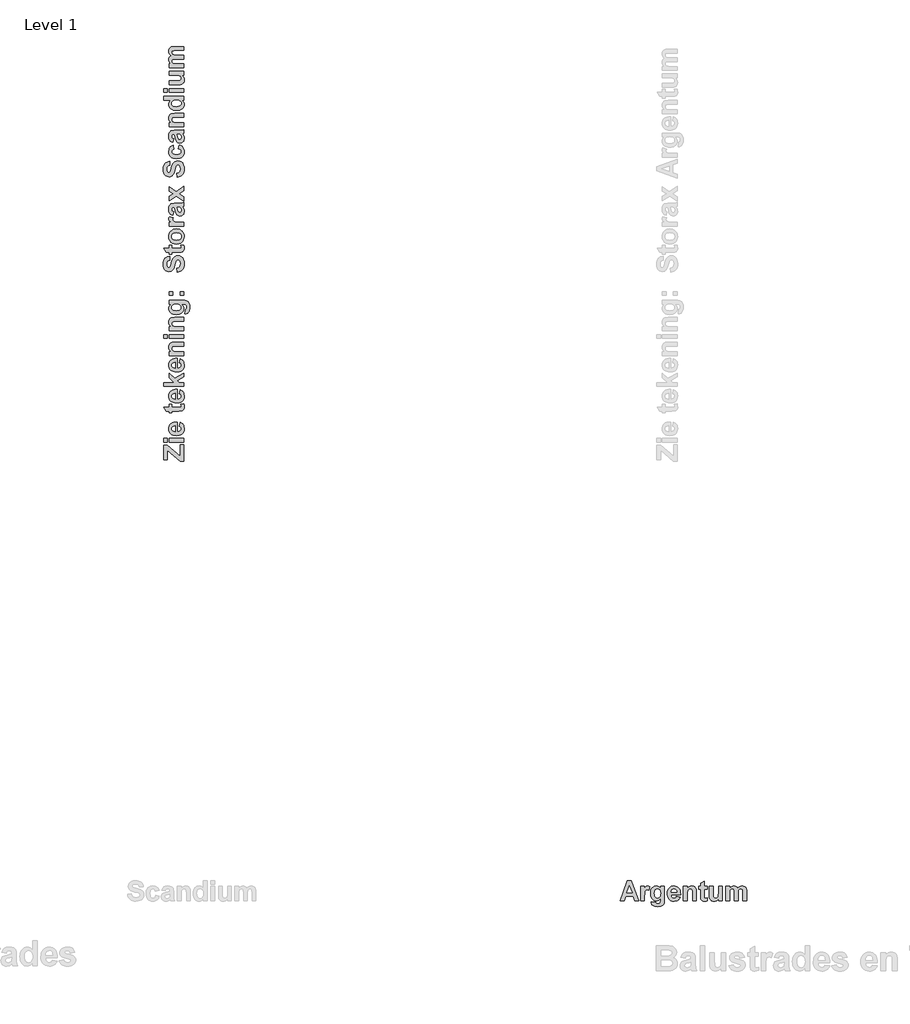
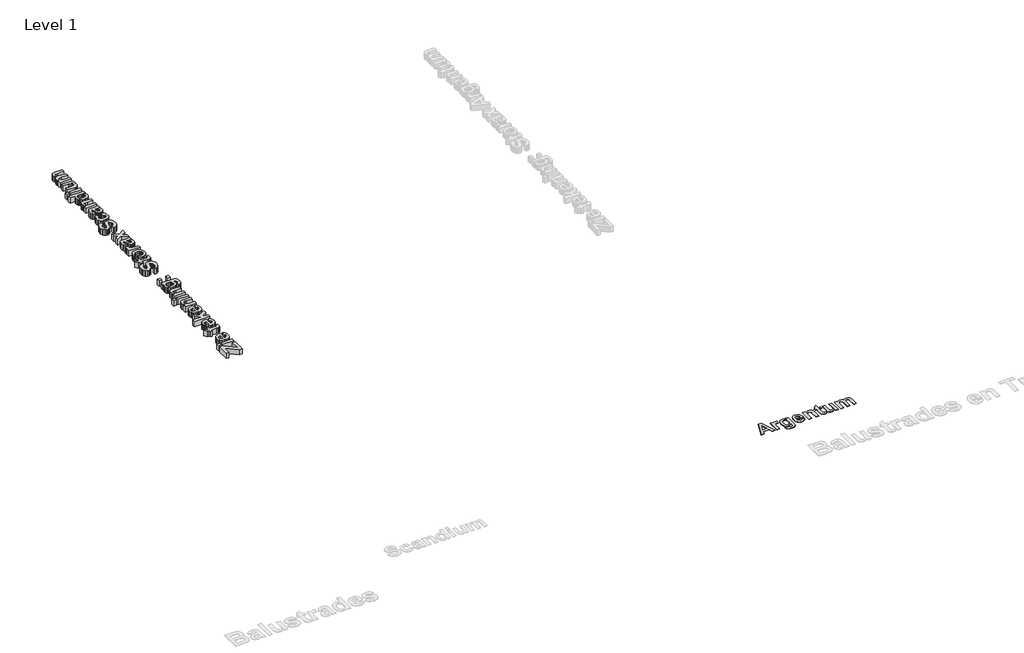
# One storey, part 7 of 14: 2 proxies.
"""IFC4 building model written with IfcOpenShell, lengths in millimetres."""

from ifc_helpers import new_model, si_unit, origin, origin_with_axes, place, context, project, spatial, polyline, outline, extrude, element, save

model = new_model("IFC4")

# Units and contexts
model_context = context("Model", 3, world=origin())
ifc_project = project(units=[si_unit("LENGTHUNIT", "METRE", prefix="MILLI")], contexts=[model_context])

# Site, building, storey
site = spatial("IfcSite", under=ifc_project)
building = spatial("IfcBuilding", under=site)
storey = spatial("IfcBuildingStorey", under=building, Name="Level 1", Elevation=0.0)

# Proxies
placement = place(None, origin())
element("IfcBuildingElementProxy", 1, Name="400mm", ObjectType="400mm", at=placement, inside=storey, context=model_context, shape_type="SweptSolid", body=[
    extrude(outline(polyline([(21401.3392889, -15738.0938306), (21321.2797651, -15738.0938306), (21289.9305587, -15649.2049417), (21138.8392889, -15649.2049417), (21107.8869079, -15738.0938306), (21026.7361143, -15738.0938306), (21172.7678603, -15338.0938306), (21253.9186539, -15338.0938306), (21401.3392889, -15738.0938306)]), holes=[polyline([(21265.5257968, -15579.3636718), (21214.0377016, -15433.3319258), (21163.2440508, -15579.3636718), (21265.5257968, -15579.3636718)])]), origin_with_axes(), (0.0, 0.0, 1.0), 5.0),
    extrude(outline(polyline([(21515.6250031, -15738.0938306), (21439.434527, -15738.0938306), (21439.434527, -15446.0303385), (21515.6250031, -15446.0303385), (21515.6250031, -15486.7049417), (21531.7212333, -15462.7838107), (21546.0813524, -15448.7585131), (21560.5158762, -15441.9504774), (21576.8353206, -15439.6811322), (21600.6200428, -15443.6989893), (21623.5615111, -15455.7525607), (21601.3392889, -15528.272402), (21582.9861143, -15518.9718068), (21566.0218285, -15515.8716083), (21551.3764912, -15518.0417472), (21539.1865111, -15524.5521639), (21529.3898841, -15536.7173425), (21521.9246063, -15555.8517671), (21517.1999039, -15590.8716083), (21515.6250031, -15650.6930369), (21515.6250031, -15738.0938306)])), origin_with_axes(), (0.0, 0.0, 1.0), 5.0),
    extrude(outline(polyline([(21648.9583365, -15757.1414496), (21737.8472254, -15769.8398623), (21741.2450428, -15781.0501798), (21747.2718285, -15788.0938306), (21760.4910746, -15793.4509734), (21779.513892, -15795.2366877), (21804.1666698, -15792.9797433), (21821.7757968, -15786.2089099), (21830.059527, -15778.2972036), (21836.0615111, -15766.6652591), (21839.434527, -15731.1493861), (21839.434527, -15688.5898623), (21819.7854694, -15710.2478484), (21798.5367095, -15725.7178385), (21775.6882472, -15734.9998325), (21751.2400825, -15738.0938306), (21724.5349734, -15734.9874318), (21700.7688524, -15725.6682353), (21679.9417194, -15710.1362413), (21662.0535746, -15688.3914496), (21650.7688524, -15667.5457155), (21642.7083365, -15644.2942274), (21637.872027, -15618.6369853), (21636.2599238, -15590.5739893), (21638.3711589, -15556.0346788), (21644.7048643, -15525.8294456), (21655.2610399, -15499.9582899), (21670.0396857, -15478.4212115), (21687.9619327, -15461.4724268), (21707.9489119, -15449.366152), (21730.0006232, -15442.1023871), (21754.1170666, -15439.6811322), (21778.8690508, -15442.5519159), (21801.3392889, -15451.1642671), (21821.5277809, -15465.5181857), (21839.434527, -15485.6136718), (21839.434527, -15446.0303385), (21915.6250031, -15446.0303385), (21915.6250031, -15705.4549417), (21913.5540706, -15750.1101996), (21907.341273, -15781.8934337), (21897.3958365, -15804.5000806), (21884.1269873, -15821.6255766), (21866.6914714, -15834.460398), (21844.2460349, -15844.195021), (21815.9846262, -15850.3334139), (21781.1011936, -15852.3795449), (21747.6624535, -15850.8542472), (21719.4692492, -15846.2783544), (21696.5215805, -15838.6518663), (21678.8194476, -15827.9747829), (21665.6250031, -15814.9539496), (21656.2004, -15800.2962115), (21650.5456381, -15784.0015687), (21648.6607174, -15766.070021), (21648.9583365, -15757.1414496)]), holes=[polyline([(21712.4504, -15587.6970052), (21716.8526817, -15629.6116877), (21722.3555339, -15645.6955171), (21730.059527, -15658.5303385), (21749.7395865, -15675.3458147), (21773.5615111, -15680.9509734), (21799.0947452, -15675.1970052), (21820.3373047, -15657.9351004), (21828.6923395, -15645.0444754), (21834.6602214, -15629.3884734), (21839.434527, -15589.7803385), (21834.8586341, -15548.646906), (21829.138768, -15532.646782), (21821.1309555, -15519.6910528), (21800.4092293, -15502.5407552), (21774.8511936, -15496.8239893), (21750.0620071, -15502.429148), (21730.059527, -15519.2446242), (21722.3555339, -15531.9306361), (21716.8526817, -15547.5680369), (21712.4504, -15587.6970052)])]), origin_with_axes(), (0.0, 0.0, 1.0), 5.0),
    extrude(outline(polyline([(22156.8948444, -15649.2049417), (22233.0853206, -15661.9033544), (22214.5337333, -15697.4564298), (22202.1329397, -15711.6150359), (22187.6488127, -15723.3616877), (22171.1495567, -15732.584778), (22152.7033762, -15739.1726996), (22109.9702412, -15744.4430369), (22075.4650329, -15741.3366381), (22045.7589317, -15732.0174417), (22020.8519377, -15716.4854476), (22000.7440508, -15694.740656), (21988.5044674, -15673.5414992), (21979.7619079, -15649.725775), (21974.5163722, -15623.2934833), (21972.7678603, -15594.2446242), (21975.0868087, -15559.9936322), (21982.0436539, -15529.6612909), (21993.638396, -15503.2476004), (22009.8710349, -15480.7525607), (22029.6503008, -15462.7838107), (22051.8849238, -15449.9489893), (22076.5749039, -15442.2480964), (22103.7202412, -15439.6811322), (22133.8851718, -15442.3163008), (22160.6894873, -15450.2218068), (22184.1331877, -15463.39765), (22204.216273, -15481.8438306), (22220.2194972, -15505.7339595), (22231.4236143, -15535.241648), (22237.8286242, -15570.366896), (22239.434527, -15611.1097036), (22048.9583365, -15611.1097036), (22053.8442492, -15643.2029575), (22066.9146857, -15667.2604972), (22086.185519, -15682.2902591), (22109.6726222, -15687.3001798), (22125.669646, -15685.0432353), (22138.9384952, -15678.272402), (22149.3799635, -15666.491648), (22156.8948444, -15649.2049417)]), holes=[polyline([(22163.2440508, -15566.6652591), (22158.6061539, -15536.5437314), (22146.2797651, -15514.631529), (22128.373019, -15501.2758742), (22106.9940508, -15496.8239893), (22084.4246063, -15501.5114893), (22066.1210349, -15515.5739893), (22054.1170666, -15537.7714099), (22050.248019, -15566.6652591), (22163.2440508, -15566.6652591)])]), origin_with_axes(), (0.0, 0.0, 1.0), 5.0),
    extrude(outline(polyline([(22556.8948444, -15738.0938306), (22480.7043682, -15738.0938306), (22480.7043682, -15587.9946242), (22479.513892, -15548.7089099), (22475.9424635, -15526.288275), (22469.6676619, -15513.8626798), (22460.3670666, -15504.5620845), (22448.4871063, -15498.7585131), (22434.4742095, -15496.8239893), (22416.0342293, -15499.5893663), (22399.6031778, -15507.8854972), (22386.607146, -15520.757521), (22378.4722254, -15537.2505766), (22374.1939516, -15563.3046441), (22372.7678603, -15604.8597036), (22372.7678603, -15738.0938306), (22296.5773841, -15738.0938306), (22296.5773841, -15446.0303385), (22372.7678603, -15446.0303385), (22372.7678603, -15488.0938306), (22392.044894, -15466.913275), (22413.6656778, -15451.7843068), (22437.6302115, -15442.7069258), (22463.9384952, -15439.6811322), (22487.1031778, -15441.9876798), (22508.184527, -15448.9073226), (22525.7936539, -15459.3983941), (22538.5416698, -15472.4192274), (22547.2842293, -15487.6598028), (22552.8769873, -15504.8101004), (22556.8948444, -15556.7446242), (22556.8948444, -15738.0938306)])), origin_with_axes(), (0.0, 0.0, 1.0), 5.0),
    extrude(outline(polyline([(22772.7678603, -15446.0303385), (22772.7678603, -15503.1731956), (22715.6250031, -15503.1731956), (22715.6250031, -15628.4708147), (22717.3611143, -15672.7664496), (22725.248019, -15683.1831163), (22740.2281778, -15687.3001798), (22775.9424635, -15679.9589099), (22779.1170666, -15734.1255766), (22749.7271857, -15741.8636718), (22716.716273, -15744.4430369), (22696.4285746, -15742.6573226), (22678.2242095, -15737.3001798), (22663.3556579, -15729.115656), (22653.0754, -15718.8477988), (22646.2921658, -15705.5293464), (22641.9146857, -15688.1930369), (22639.434527, -15632.7366877), (22639.434527, -15503.1731956), (22601.3392889, -15503.1731956), (22601.3392889, -15446.0303385), (22639.434527, -15446.0303385), (22639.434527, -15388.8874814), (22715.6250031, -15344.4430369), (22715.6250031, -15446.0303385), (22772.7678603, -15446.0303385)])), origin_with_axes(), (0.0, 0.0, 1.0), 5.0),
    extrude(outline(polyline([(23001.3392889, -15738.0938306), (23001.3392889, -15695.2366877), (22983.7921658, -15715.710398), (22961.5079397, -15731.2981956), (22936.1483166, -15741.1568266), (22909.3750031, -15744.4430369), (22882.9117095, -15741.2188306), (22859.2757968, -15731.5462115), (22840.1289714, -15716.0328187), (22827.1329397, -15695.2862909), (22819.6924635, -15667.4465091), (22817.2123047, -15630.6533544), (22817.2123047, -15446.0303385), (22893.4027809, -15446.0303385), (22893.4027809, -15581.0501798), (22894.4320468, -15631.037779), (22897.5198444, -15656.9926401), (22903.3482174, -15669.4926401), (22912.5992095, -15679.115656), (22925.0372055, -15685.2540488), (22940.4265904, -15687.3001798), (22958.6681579, -15684.5720052), (22974.9007968, -15676.3874814), (22987.7232174, -15664.147898), (22995.7341301, -15649.2545449), (22999.9379992, -15621.3155568), (23001.3392889, -15569.9390687), (23001.3392889, -15446.0303385), (23077.5297651, -15446.0303385), (23077.5297651, -15738.0938306), (23001.3392889, -15738.0938306)])), origin_with_axes(), (0.0, 0.0, 1.0), 5.0),
    extrude(outline(polyline([(23147.3710349, -15446.0303385), (23223.5615111, -15446.0303385), (23223.5615111, -15485.1176401), (23242.3177115, -15465.2391679), (23262.7728206, -15451.0402591), (23284.9268385, -15442.5209139), (23308.7797651, -15439.6811322), (23333.3209357, -15442.4713107), (23354.3650825, -15450.8418464), (23371.9370071, -15464.8671441), (23386.0615111, -15484.6216083), (23405.5679595, -15464.8671441), (23426.5873047, -15450.8418464), (23449.0947452, -15442.4713107), (23473.0654793, -15439.6811322), (23502.0089317, -15442.9425409), (23526.1408762, -15452.7267671), (23545.138892, -15468.835398), (23558.6805587, -15491.070021), (23564.4841301, -15515.4995845), (23566.4186539, -15551.4866877), (23566.4186539, -15738.0938306), (23490.2281778, -15738.0938306), (23490.2281778, -15569.9390687), (23488.2936539, -15533.9519655), (23482.4900825, -15513.490656), (23469.3452412, -15500.990656), (23450.5456381, -15496.8239893), (23435.3298643, -15499.3165488), (23421.0317492, -15506.7942274), (23409.1269873, -15519.0834139), (23401.091273, -15536.0104972), (23396.5153801, -15560.8368861), (23394.9900825, -15596.8239893), (23394.9900825, -15738.0938306), (23318.7996063, -15738.0938306), (23318.7996063, -15576.8835131), (23314.8313524, -15521.4767671), (23309.7842293, -15510.6136718), (23302.5793682, -15502.9251798), (23292.795142, -15498.3492869), (23280.0099238, -15496.8239893), (23263.7152809, -15499.2421441), (23249.1567492, -15506.4966083), (23237.4007968, -15518.3269655), (23229.513892, -15534.4727988), (23225.0496063, -15558.7907552), (23223.5615111, -15595.1374814), (23223.5615111, -15738.0938306), (23147.3710349, -15738.0938306), (23147.3710349, -15446.0303385)])), origin_with_axes(), (0.0, 0.0, 1.0), 5.0),
])
element("IfcBuildingElementProxy", 2, Name="400mm", ObjectType="400mm", at=placement, inside=storey, context=model_context, shape_type="SweptSolid", body=[
    extrude(outline(polyline([(12273.6643168, -6913.9641128), (12195.9302673, -6913.9641128), (11936.8167689, -6695.2358823), (11936.8167689, -6888.0527629), (11865.5605568, -6888.0527629), (11865.5605568, -6596.5500772), (11936.8167689, -6596.5500772), (12202.4081047, -6820.7439831), (12202.4081047, -6590.0722398), (12273.6643168, -6590.0722398), (12273.6643168, -6913.9641128)])), origin_with_axes(), (0.0, 0.0, 1.0), 150.0),
    extrude(outline(polyline([(12273.6643168, -6538.2495401), (11975.6837936, -6538.2495401), (11975.6837936, -6460.5154906), (12273.6643168, -6460.5154906), (12273.6643168, -6538.2495401)])), origin_with_axes(), (0.0, 0.0, 1.0), 150.0),
    extrude(outline(polyline([(11936.8167689, -6538.2495401), (11865.5605568, -6538.2495401), (11865.5605568, -6460.5154906), (11936.8167689, -6460.5154906), (11936.8167689, -6538.2495401)])), origin_with_axes(), (0.0, 0.0, 1.0), 150.0),
    extrude(outline(polyline([(12182.9745924, -6214.3576671), (12195.9302673, -6136.6236176), (12232.2036266, -6155.5510489), (12246.6490777, -6168.2030752), (12258.6337096, -6182.9806419), (12268.0436541, -6199.8141629), (12274.7650431, -6218.634052), (12280.1421543, -6262.2329346), (12276.9728217, -6297.4371977), (12267.4648239, -6327.7451267), (12251.618161, -6353.1567215), (12229.4328329, -6373.6719821), (12207.8041939, -6386.1595321), (12183.5059775, -6395.0792106), (12156.5381834, -6400.4310177), (12126.9008118, -6402.2149534), (12091.9559152, -6399.8490245), (12061.0090589, -6392.7512378), (12034.0602429, -6380.9215932), (12011.1094672, -6364.3600908), (11992.7766811, -6344.1801088), (11979.6818339, -6321.4950257), (11971.8249256, -6296.3048414), (11969.2059562, -6268.6095558), (11971.8945118, -6237.8335019), (11979.9601785, -6210.4861471), (11993.4029564, -6186.5674914), (12012.2228456, -6166.0775348), (12036.5969742, -6149.7500948), (12066.7024708, -6138.3189891), (12102.5393352, -6131.7842175), (12144.1075676, -6130.1457801), (12144.1075676, -6324.4809039), (12176.8510116, -6319.4960056), (12201.3959426, -6306.1607698), (12216.7301985, -6286.499521), (12221.8416171, -6262.5365832), (12219.5389483, -6246.2154693), (12212.630942, -6232.6778012), (12200.611517, -6222.024795), (12182.9745924, -6214.3576671)]), holes=[polyline([(12098.7627054, -6207.8798296), (12068.0309335, -6212.6116875), (12045.6748031, -6225.1878016), (12032.0485707, -6243.4573276), (12027.5064933, -6265.2694209), (12032.2889592, -6288.2961087), (12046.6363571, -6306.9704995), (12069.2834841, -6319.217661), (12098.7627054, -6323.1650932), (12098.7627054, -6207.8798296)])]), origin_with_axes(), (0.0, 0.0, 1.0), 150.0),
    extrude(outline(polyline([(11975.6837936, -5773.8647198), (12033.9843308, -5773.8647198), (12033.9843308, -5832.165257), (12161.8204044, -5832.165257), (12207.0134423, -5830.3939733), (12217.6411444, -5822.3472846), (12221.8416171, -5807.0636368), (12214.3516175, -5770.6258011), (12269.6156684, -5767.3868824), (12277.5105328, -5797.3721847), (12280.1421543, -5831.0518786), (12278.3202625, -5851.7505936), (12272.8545871, -5870.3237682), (12264.5042498, -5885.4935478), (12254.028372, -5895.9820776), (12240.4400958, -5902.9027359), (12222.752563, -5907.3689012), (12166.1727014, -5909.8993065), (12033.9843308, -5909.8993065), (12033.9843308, -5948.7663312), (11975.6837936, -5948.7663312), (11975.6837936, -5909.8993065), (11917.3832565, -5909.8993065), (11872.0383943, -5832.165257), (11975.6837936, -5832.165257), (11975.6837936, -5773.8647198)])), origin_with_axes(), (0.0, 0.0, 1.0), 150.0),
    extrude(outline(polyline([(12182.9745924, -5560.0960836), (12195.9302673, -5482.3620341), (12232.2036266, -5501.2894654), (12246.6490777, -5513.9414917), (12258.6337096, -5528.7190584), (12268.0436541, -5545.5525794), (12274.7650431, -5564.3724685), (12280.1421543, -5607.9713511), (12276.9728217, -5643.1756143), (12267.4648239, -5673.4835432), (12251.618161, -5698.895138), (12229.4328329, -5719.4103987), (12207.8041939, -5731.8979486), (12183.5059775, -5740.8176271), (12156.5381834, -5746.1694343), (12126.9008118, -5747.95337), (12091.9559152, -5745.5874411), (12061.0090589, -5738.4896543), (12034.0602429, -5726.6600097), (12011.1094672, -5710.0985073), (11992.7766811, -5689.9185254), (11979.6818339, -5667.2334422), (11971.8249256, -5642.0432579), (11969.2059562, -5614.3479724), (11971.8945118, -5583.5719184), (11979.9601785, -5556.2245636), (11993.4029564, -5532.3059079), (12012.2228456, -5511.8159513), (12036.5969742, -5495.4885114), (12066.7024708, -5484.0574056), (12102.5393352, -5477.5226341), (12144.1075676, -5475.8841967), (12144.1075676, -5670.2193205), (12176.8510116, -5665.2344221), (12201.3959426, -5651.8991864), (12216.7301985, -5632.2379375), (12221.8416171, -5608.2749997), (12219.5389483, -5591.9538858), (12212.630942, -5578.4162177), (12200.611517, -5567.7632116), (12182.9745924, -5560.0960836)]), holes=[polyline([(12098.7627054, -5553.6182462), (12068.0309335, -5558.350104), (12045.6748031, -5570.9262181), (12032.0485707, -5589.1957441), (12027.5064933, -5611.0078374), (12032.2889592, -5634.0345253), (12046.6363571, -5652.7089161), (12069.2834841, -5664.9560775), (12098.7627054, -5668.9035097), (12098.7627054, -5553.6182462)])]), origin_with_axes(), (0.0, 0.0, 1.0), 150.0),
    extrude(outline(polyline([(12273.6643168, -5417.5836595), (11865.5605568, -5417.5836595), (11865.5605568, -5339.84961), (12080.6450037, -5339.84961), (11975.6837936, -5245.9209668), (11975.6837936, -5155.2312424), (12085.1997332, -5255.131642), (12273.6643168, -5148.7534049), (12273.6643168, -5226.4874544), (12140.1601354, -5305.1324499), (12178.2174305, -5339.84961), (12273.6643168, -5339.84961), (12273.6643168, -5417.5836595)])), origin_with_axes(), (0.0, 0.0, 1.0), 150.0),
    extrude(outline(polyline([(12182.9745924, -4938.2236875), (12195.9302673, -4860.4896379), (12232.2036266, -4879.4170693), (12246.6490777, -4892.0690956), (12258.6337096, -4906.8466623), (12268.0436541, -4923.6801832), (12274.7650431, -4942.5000724), (12280.1421543, -4986.0989549), (12276.9728217, -5021.3032181), (12267.4648239, -5051.6111471), (12251.618161, -5077.0227419), (12229.4328329, -5097.5380025), (12207.8041939, -5110.0255524), (12183.5059775, -5118.945231), (12156.5381834, -5124.2970381), (12126.9008118, -5126.0809738), (12091.9559152, -5123.7150449), (12061.0090589, -5116.6172581), (12034.0602429, -5104.7876136), (12011.1094672, -5088.2261112), (11992.7766811, -5068.0461292), (11979.6818339, -5045.3610461), (11971.8249256, -5020.1708617), (11969.2059562, -4992.4755762), (11971.8945118, -4961.6995222), (11979.9601785, -4934.3521674), (11993.4029564, -4910.4335117), (12012.2228456, -4889.9435551), (12036.5969742, -4873.6161152), (12066.7024708, -4862.1850095), (12102.5393352, -4855.6502379), (12144.1075676, -4854.0118005), (12144.1075676, -5048.3469243), (12176.8510116, -5043.3620259), (12201.3959426, -5030.0267902), (12216.7301985, -5010.3655414), (12221.8416171, -4986.4026036), (12219.5389483, -4970.0814897), (12212.630942, -4956.5438215), (12200.611517, -4945.8908154), (12182.9745924, -4938.2236875)]), holes=[polyline([(12098.7627054, -4931.74585), (12068.0309335, -4936.4777078), (12045.6748031, -4949.053822), (12032.0485707, -4967.3233479), (12027.5064933, -4989.1354413), (12032.2889592, -5012.1621291), (12046.6363571, -5030.8365199), (12069.2834841, -5043.0836814), (12098.7627054, -5047.0311136), (12098.7627054, -4931.74585)])]), origin_with_axes(), (0.0, 0.0, 1.0), 150.0),
    extrude(outline(polyline([(12273.6643168, -4530.1199275), (12273.6643168, -4607.853977), (12120.5241906, -4607.853977), (12080.4425713, -4609.0685715), (12057.5677078, -4612.7123551), (12044.8903774, -4619.1142804), (12035.4013577, -4628.6033001), (12029.4802094, -4640.7239413), (12027.5064933, -4655.020731), (12030.3278952, -4673.8342941), (12038.7921008, -4690.5982289), (12051.924904, -4703.8575525), (12068.752099, -4712.1572817), (12095.3340062, -4716.5222308), (12137.7309463, -4717.9772138), (12273.6643168, -4717.9772138), (12273.6643168, -4795.7112633), (11975.6837936, -4795.7112633), (11975.6837936, -4717.9772138), (12018.5994668, -4717.9772138), (11996.9898059, -4698.309639), (11981.5543338, -4676.2508311), (11972.2930506, -4651.8007903), (11969.2059562, -4624.9595165), (11971.5592331, -4601.3255314), (11978.6190637, -4579.8170867), (11989.322678, -4561.8512094), (12002.6073056, -4548.8449264), (12018.1566459, -4539.9252479), (12035.6543982, -4534.219184), (12088.6410843, -4530.1199275), (12273.6643168, -4530.1199275)])), origin_with_axes(), (0.0, 0.0, 1.0), 150.0),
    extrude(outline(polyline([(12273.6643168, -4452.385878), (11975.6837936, -4452.385878), (11975.6837936, -4374.6518284), (12273.6643168, -4374.6518284), (12273.6643168, -4452.385878)])), origin_with_axes(), (0.0, 0.0, 1.0), 150.0),
    extrude(outline(polyline([(11936.8167689, -4452.385878), (11865.5605568, -4452.385878), (11865.5605568, -4374.6518284), (11936.8167689, -4374.6518284), (11936.8167689, -4452.385878)])), origin_with_axes(), (0.0, 0.0, 1.0), 150.0),
    extrude(outline(polyline([(12273.6643168, -4031.3264431), (12273.6643168, -4109.0604926), (12120.5241906, -4109.0604926), (12080.4425713, -4110.2750871), (12057.5677078, -4113.9188707), (12044.8903774, -4120.320796), (12035.4013577, -4129.8098157), (12029.4802094, -4141.9304569), (12027.5064933, -4156.2272466), (12030.3278952, -4175.0408097), (12038.7921008, -4191.8047445), (12051.924904, -4205.0640681), (12068.752099, -4213.3637973), (12095.3340062, -4217.7287464), (12137.7309463, -4219.1837294), (12273.6643168, -4219.1837294), (12273.6643168, -4296.9177789), (11975.6837936, -4296.9177789), (11975.6837936, -4219.1837294), (12018.5994668, -4219.1837294), (11996.9898059, -4199.5161545), (11981.5543338, -4177.4573467), (11972.2930506, -4153.0073059), (11969.2059562, -4126.1660321), (11971.5592331, -4102.532047), (11978.6190637, -4081.0236023), (11989.322678, -4063.057725), (12002.6073056, -4050.051442), (12018.1566459, -4041.1317634), (12035.6543982, -4035.4256996), (12088.6410843, -4031.3264431), (12273.6643168, -4031.3264431)])), origin_with_axes(), (0.0, 0.0, 1.0), 150.0),
    extrude(outline(polyline([(12293.0978292, -3960.070231), (12306.0535041, -3869.3805066), (12317.4909359, -3865.9138514), (12324.6772868, -3859.7649666), (12330.1429621, -3846.2779066), (12331.9648539, -3826.8696982), (12329.6621851, -3801.71747), (12322.7541788, -3783.7515926), (12314.682186, -3775.3000391), (12302.8145854, -3769.1764583), (12266.5791821, -3765.7351072), (12223.1574278, -3765.7351072), (12245.2541918, -3785.7822429), (12261.0375946, -3807.4614899), (12270.5076362, -3830.7728483), (12273.6643168, -3855.7163182), (12270.4949842, -3882.9624568), (12260.9869864, -3907.2100652), (12245.1403235, -3928.4591433), (12222.9549954, -3946.7096912), (12201.6869392, -3958.2230352), (12177.9643899, -3966.4468522), (12151.7873475, -3971.3811425), (12123.1558121, -3973.0259059), (12087.9167558, -3970.8718984), (12057.0995828, -3964.409876), (12030.704293, -3953.6398386), (12008.7308863, -3938.5617863), (11991.4387294, -3920.2764453), (11979.0871887, -3899.8845419), (11971.6762643, -3877.3860762), (11969.2059562, -3852.7810481), (11972.1349003, -3827.5276036), (11980.9217325, -3804.602132), (11995.5664529, -3784.0046332), (12016.0690615, -3765.7351072), (11975.6837936, -3765.7351072), (11975.6837936, -3688.0010577), (12240.3641836, -3688.0010577), (12285.9241303, -3690.1139461), (12318.3512736, -3696.4526112), (12341.4159176, -3706.5995363), (12358.8883659, -3720.1372045), (12371.9832131, -3737.9259534), (12381.9150537, -3760.826121), (12388.1778067, -3789.6600889), (12390.2653911, -3825.2502389), (12388.7091918, -3859.3664278), (12384.0405941, -3888.1308095), (12376.259598, -3911.5433842), (12365.3662033, -3929.6041517), (12352.0815757, -3943.0659077), (12337.1268807, -3952.6814476), (12320.5021181, -3958.4507716), (12302.2072881, -3960.3738796), (12293.0978292, -3960.070231)]), holes=[polyline([(12120.220542, -3895.2918564), (12162.9843908, -3890.8003871), (12179.3940689, -3885.1860504), (12192.4889161, -3877.3259791), (12209.6450638, -3857.2472133), (12215.3637797, -3832.9426708), (12209.4932395, -3806.8921487), (12191.8816189, -3785.2192277), (12178.7298375, -3776.694925), (12162.7566543, -3770.6061373), (12122.3460824, -3765.7351072), (12080.3793112, -3770.4037049), (12064.0550343, -3776.239452), (12050.8368298, -3784.409498), (12033.3390774, -3805.5510339), (12027.5064933, -3831.6268601), (12033.2252092, -3856.9182607), (12050.3813568, -3877.3259791), (12063.3243797, -3885.1860504), (12079.2785849, -3890.8003871), (12120.220542, -3895.2918564)])]), origin_with_axes(), (0.0, 0.0, 1.0), 150.0),
    extrude(outline(polyline([(12053.4178431, -3590.8334958), (11975.6837936, -3590.8334958), (11975.6837936, -3513.0994463), (12053.4178431, -3513.0994463), (12053.4178431, -3590.8334958)])), origin_with_axes(), (0.0, 0.0, 1.0), 150.0),
    extrude(outline(polyline([(12273.6643168, -3590.8334958), (12195.9302673, -3590.8334958), (12195.9302673, -3513.0994463), (12273.6643168, -3513.0994463), (12273.6643168, -3590.8334958)])), origin_with_axes(), (0.0, 0.0, 1.0), 150.0),
    extrude(outline(polyline([(12137.6297301, -3124.4291987), (12131.1518927, -3046.6951491), (12165.9196609, -3035.3589336), (12190.0597271, -3016.330286), (12204.1793884, -2989.4826863), (12208.8859422, -2954.689614), (12204.7234255, -2918.5807309), (12192.2358756, -2892.644077), (12174.1814341, -2877.0061725), (12153.3182427, -2871.7935377), (12140.0968753, -2873.9570342), (12128.9757441, -2880.4475237), (12119.5752886, -2892.3530804), (12111.5159479, -2910.7617787), (12094.2079759, -2978.1717748), (12076.3180107, -3035.7131903), (12065.873763, -3056.9306384), (12054.4300053, -3073.11258), (12036.7108424, -3089.8954929), (12017.1571358, -3101.8832878), (11995.7688854, -3109.0759648), (11972.5460911, -3111.4735237), (11942.4848766, -3107.0706186), (11914.4479864, -3093.8619031), (11890.6368729, -3072.3534584), (11873.2529888, -3043.0513656), (11862.6252867, -3006.4364015), (11859.0827193, -2962.9893432), (11861.2904979, -2927.0480995), (11867.9138337, -2895.8450397), (11878.9527266, -2869.3801637), (11894.4071767, -2847.6534716), (11913.5433665, -2830.5953771), (11935.6274784, -2818.1362942), (11960.6595124, -2810.2762229), (11988.6394685, -2807.0151631), (11988.6394685, -2884.7492126), (11961.9310411, -2893.3399385), (11943.9525117, -2908.1807653), (11933.7423265, -2930.638112), (11930.3389314, -2962.0783973), (11933.9574109, -2995.1760981), (11944.8128495, -3020.176502), (11955.6935921, -3030.3487312), (11969.7120372, -3033.7394742), (11982.9460567, -3030.6523798), (11994.1051439, -3021.3910966), (12007.1746871, -2994.5055407), (12020.6743991, -2945.2258983), (12034.7181483, -2892.631425), (12049.4198028, -2855.8013765), (12067.2212038, -2829.9912429), (12090.5641923, -2810.4565143), (12119.739765, -2798.1587447), (12155.0389183, -2794.0594882), (12188.7439163, -2798.9052143), (12220.2221577, -2813.4423925), (12246.6901967, -2836.8486411), (12265.3645875, -2868.3015785), (12276.4477626, -2908.1428092), (12280.1421543, -2956.7139382), (12277.8679525, -2993.0379056), (12271.0453473, -3024.8830558), (12259.6743387, -3052.2493887), (12243.7549266, -3075.1369042), (12223.4768915, -3093.7037528), (12199.0300137, -3108.1080847), (12170.4142933, -3118.3499), (12137.6297301, -3124.4291987)])), origin_with_axes(), (0.0, 0.0, 1.0), 150.0),
    extrude(outline(polyline([(11975.6837936, -2586.7686895), (12033.9843308, -2586.7686895), (12033.9843308, -2645.0692266), (12161.8204044, -2645.0692266), (12207.0134423, -2643.2979429), (12217.6411444, -2635.2512542), (12221.8416171, -2619.9676065), (12214.3516175, -2583.5297707), (12269.6156684, -2580.290852), (12277.5105328, -2610.2761543), (12280.1421543, -2643.9558483), (12278.3202625, -2664.6545633), (12272.8545871, -2683.2277379), (12264.5042498, -2698.3975174), (12254.028372, -2708.8860472), (12240.4400958, -2715.8067056), (12222.752563, -2720.2728709), (12166.1727014, -2722.8032761), (12033.9843308, -2722.8032761), (12033.9843308, -2761.6703009), (11975.6837936, -2761.6703009), (11975.6837936, -2722.8032761), (11917.3832565, -2722.8032761), (11872.0383943, -2645.0692266), (11975.6837936, -2645.0692266), (11975.6837936, -2586.7686895)])), origin_with_axes(), (0.0, 0.0, 1.0), 150.0),
    extrude(outline(polyline([(12120.4229744, -2560.8573396), (12081.8722503, -2556.0622217), (12044.5614247, -2541.6768678), (12012.2101935, -2518.5110076), (11988.5382523, -2487.3743709), (11974.0390302, -2450.2027177), (11969.2059562, -2408.931808), (11971.9451199, -2376.9443225), (11980.1626109, -2347.9869973), (11993.8584294, -2322.0598324), (12013.0325752, -2299.1628279), (12036.3945418, -2280.453644), (12062.6538223, -2267.0899412), (12091.8104169, -2259.0717196), (12123.8643255, -2256.398979), (12156.1744377, -2259.1001866), (12185.5935618, -2267.2038095), (12212.1216979, -2280.7098475), (12235.758846, -2299.6183008), (12255.1765434, -2322.6196846), (12269.0463272, -2348.4045142), (12277.3681975, -2376.9727895), (12280.1421543, -2408.3245107), (12275.5241647, -2447.9633091), (12261.6701959, -2485.7043035), (12238.8838965, -2518.0934908), (12207.4689152, -2541.6768678), (12167.8427689, -2556.0622217), (12120.4229744, -2560.8573396)]), holes=[polyline([(12124.6740552, -2483.1232901), (12166.2359616, -2477.7461789), (12182.8891912, -2471.02479), (12196.7906051, -2461.6148454), (12207.7504228, -2450.2311848), (12215.5788641, -2437.5886475), (12220.2759289, -2423.6872336), (12221.8416171, -2408.5269431), (12220.2759289, -2393.3729786), (12215.5788641, -2379.4905428), (12207.7504228, -2366.8796356), (12196.7906051, -2355.540257), (12182.8512351, -2346.1745945), (12166.0841373, -2339.4848356), (12124.0667579, -2334.1330285), (12082.9603245, -2339.4848356), (12066.4209632, -2346.1745945), (12052.5575054, -2355.540257), (12041.5976876, -2366.8796356), (12033.7692463, -2379.4905428), (12029.0721816, -2393.3729786), (12027.5064933, -2408.5269431), (12029.0721816, -2423.6872336), (12033.7692463, -2437.5886475), (12041.5976876, -2450.2311848), (12052.5575054, -2461.6148454), (12066.4589192, -2471.02479), (12083.1121489, -2477.7461789), (12124.6740552, -2483.1232901)])]), origin_with_axes(), (0.0, 0.0, 1.0), 150.0),
    extrude(outline(polyline([(12273.6643168, -2120.3643923), (12273.6643168, -2198.0984419), (11975.6837936, -2198.0984419), (11975.6837936, -2120.3643923), (12017.1824399, -2120.3643923), (11992.7766811, -2103.9420622), (11978.4672394, -2089.2910158), (11971.521277, -2074.5640572), (11969.2059562, -2057.9139906), (11973.3052127, -2033.6474042), (11985.6029822, -2010.2411555), (12059.592032, -2032.9135866), (12050.1030123, -2051.6385855), (12046.9400057, -2068.9465575), (12049.1541103, -2083.8886006), (12055.7964241, -2096.3255424), (12068.2080619, -2106.3206432), (12087.7301384, -2113.937163), (12123.4594607, -2118.757585), (12184.4928355, -2120.3643923), (12273.6643168, -2120.3643923)])), origin_with_axes(), (0.0, 0.0, 1.0), 150.0),
    extrude(outline(polyline([(12066.3735181, -1913.0735936), (12053.4178431, -1984.3298057), (12016.0690615, -1968.8816816), (12001.5698394, -1958.0736881), (11989.8540631, -1945.2097404), (11980.8205163, -1929.638259), (11974.3679829, -1910.7076647), (11969.2059562, -1862.7691371), (11972.3310067, -1819.423295), (11981.7061581, -1788.7800874), (11995.8764276, -1768.0813724), (12013.386832, -1754.5690083), (12040.6013405, -1747.1296168), (12083.8839225, -1744.6498197), (12175.7882414, -1744.6498197), (12233.6839137, -1740.5505631), (12273.6643168, -1725.2163073), (12273.6643168, -1802.9503568), (12248.9675615, -1810.2379239), (12239.1495891, -1812.9707616), (12257.0522063, -1833.0874834), (12269.8687089, -1854.5706241), (12277.5737929, -1877.4707916), (12280.1421543, -1901.8385943), (12278.582792, -1922.8314689), (12273.9047053, -1941.4773926), (12266.1078941, -1957.7763655), (12255.1923584, -1971.7283875), (12241.8982418, -1982.9096157), (12226.9656878, -1990.8962073), (12210.3946963, -1995.6881623), (12192.1852675, -1997.2854806), (12168.34885, -1994.4387747), (12147.2452701, -1985.8986569), (12129.8107779, -1972.2218165), (12116.9816232, -1953.9649426), (12107.1383468, -1928.8886265), (12098.6614892, -1894.7534596), (12088.6663884, -1850.5472797), (12079.329193, -1822.3838692), (12071.13068, -1822.3838692), (12050.938046, -1824.8004062), (12037.5268981, -1832.0500173), (12030.0115945, -1845.9798982), (12027.5064933, -1868.4372449), (12029.6573378, -1884.5559264), (12036.1098712, -1896.6765676), (12047.9774718, -1905.8366346), (12066.3735181, -1913.0735936)]), holes=[polyline([(12137.6297301, -1822.3838692), (12148.4092565, -1866.2104883), (12160.7070261, -1905.4823779), (12171.7648971, -1916.0341678), (12185.5049976, -1919.5514311), (12199.2830542, -1916.7300292), (12211.0620907, -1908.2658236), (12219.1467355, -1895.449321), (12221.8416171, -1879.571028), (12218.7039146, -1860.5170764), (12209.290807, -1842.4246788), (12198.7137131, -1831.5439362), (12186.0110787, -1825.2179231), (12151.6987834, -1822.3838692), (12137.6297301, -1822.3838692)])]), origin_with_axes(), (0.0, 0.0, 1.0), 150.0),
    extrude(outline(polyline([(12273.6643168, -1702.5438762), (12120.220542, -1597.2790174), (11975.6837936, -1689.5882013), (11975.6837936, -1597.1778012), (12057.5677078, -1552.2378039), (11975.6837936, -1503.4515905), (11975.6837936, -1411.0411905), (12116.7791908, -1506.083212), (12273.6643168, -1398.0855156), (12273.6643168, -1490.4959156), (12181.355133, -1552.2378039), (12273.6643168, -1610.1334762), (12273.6643168, -1702.5438762)])), origin_with_axes(), (0.0, 0.0, 1.0), 150.0),
    extrude(outline(polyline([(12137.6297301, -1219.9449854), (12131.1518927, -1142.2109359), (12165.9196609, -1130.8747203), (12190.0597271, -1111.8460728), (12204.1793884, -1084.998473), (12208.8859422, -1050.2054007), (12204.7234255, -1014.0965177), (12192.2358756, -988.1598638), (12174.1814341, -972.5219593), (12153.3182427, -967.3093245), (12140.0968753, -969.472821), (12128.9757441, -975.9633104), (12119.5752886, -987.8688672), (12111.5159479, -1006.2775654), (12094.2079759, -1073.6875615), (12076.3180107, -1131.2289771), (12065.873763, -1152.4464251), (12054.4300053, -1168.6283668), (12036.7108424, -1185.4112796), (12017.1571358, -1197.3990746), (11995.7688854, -1204.5917515), (11972.5460911, -1206.9893105), (11942.4848766, -1202.5864053), (11914.4479864, -1189.3776899), (11890.6368729, -1167.8692452), (11873.2529888, -1138.5671523), (11862.6252867, -1101.9521882), (11859.0827193, -1058.50513), (11861.2904979, -1022.5638863), (11867.9138337, -991.3608264), (11878.9527266, -964.8959504), (11894.4071767, -943.1692583), (11913.5433665, -926.1111639), (11935.6274784, -913.652081), (11960.6595124, -905.7920096), (11988.6394685, -902.5309499), (11988.6394685, -980.2649994), (11961.9310411, -988.8557252), (11943.9525117, -1003.6965521), (11933.7423265, -1026.1538987), (11930.3389314, -1057.5941841), (11933.9574109, -1090.6918848), (11944.8128495, -1115.6922888), (11955.6935921, -1125.8645179), (11969.7120372, -1129.255261), (11982.9460567, -1126.1681665), (11994.1051439, -1116.9068833), (12007.1746871, -1090.0213274), (12020.6743991, -1040.741685), (12034.7181483, -988.1472118), (12049.4198028, -951.3171632), (12067.2212038, -925.5070296), (12090.5641923, -905.972301), (12119.739765, -893.6745315), (12155.0389183, -889.5752749), (12188.7439163, -894.421001), (12220.2221577, -908.9581792), (12246.6901967, -932.3644278), (12265.3645875, -963.8173652), (12276.4477626, -1003.658596), (12280.1421543, -1052.2297249), (12277.8679525, -1088.5536924), (12271.0453473, -1120.3988426), (12259.6743387, -1147.7651754), (12243.7549266, -1170.652691), (12223.4768915, -1189.2195396), (12199.0300137, -1203.6238715), (12170.4142933, -1213.8656868), (12137.6297301, -1219.9449854)])), origin_with_axes(), (0.0, 0.0, 1.0), 150.0),
    extrude(outline(polyline([(12059.8956806, -578.6390769), (12072.8513555, -656.3731264), (12053.0762384, -662.3322308), (12038.893317, -672.9219768), (12030.3531992, -687.7628036), (12027.5064933, -706.4751505), (12032.8456484, -731.1212977), (12048.8631137, -750.2005533), (12061.3316856, -757.3299702), (12077.3807809, -762.4224107), (12120.220542, -766.4963632), (12167.7162486, -762.2579344), (12185.3341953, -756.9598984), (12198.8655374, -749.542648), (12216.0975972, -729.6916187), (12221.8416171, -704.0459614), (12218.5647423, -684.6251011), (12208.7341179, -669.0757608), (12190.8821088, -657.4738527), (12163.54108, -649.8952889), (12176.4967549, -572.1612394), (12200.5830499, -579.3254493), (12221.5253165, -589.1782148), (12239.3235544, -601.7195358), (12253.9777639, -616.9494125), (12265.4246847, -634.9311048), (12273.6010567, -655.727873), (12278.5068799, -679.3397171), (12280.1421543, -705.766637), (12277.5674669, -735.7930584), (12269.8434049, -762.6121911), (12256.9699681, -786.2240352), (12238.9471567, -806.6285906), (12216.3759418, -823.0793878), (12189.8572947, -834.8299572), (12159.3912153, -841.8802988), (12124.9777038, -844.2304127), (12090.1751425, -841.8961139), (12059.4528597, -834.8932173), (12032.8108553, -823.2217231), (12010.2491295, -806.8816311), (11992.2927411, -786.5561509), (11979.4667495, -762.9284918), (11971.7711545, -735.9986538), (11969.2059562, -705.766637), (11974.8108038, -658.9794438), (11981.8168634, -639.5902135), (11991.6253468, -622.8705608), (12004.2995141, -608.567445), (12019.9026255, -596.4278258), (12059.8956806, -578.6390769)])), origin_with_axes(), (0.0, 0.0, 1.0), 150.0),
    extrude(outline(polyline([(12066.3735181, -449.0823277), (12053.4178431, -520.3385397), (12016.0690615, -504.8904156), (12001.5698394, -494.0824222), (11989.8540631, -481.2184744), (11980.8205163, -465.6469931), (11974.3679829, -446.7163987), (11969.2059562, -398.7778711), (11972.3310067, -355.4320291), (11981.7061581, -324.7888214), (11995.8764276, -304.0901064), (12013.386832, -290.5777423), (12040.6013405, -283.1383508), (12083.8839225, -280.6585537), (12175.7882414, -280.6585537), (12233.6839137, -276.5592972), (12273.6643168, -261.2250413), (12273.6643168, -338.9590908), (12248.9675615, -346.246658), (12239.1495891, -348.9794957), (12257.0522063, -369.0962175), (12269.8687089, -390.5793581), (12277.5737929, -413.4795257), (12280.1421543, -437.8473283), (12278.582792, -458.8402029), (12273.9047053, -477.4861267), (12266.1078941, -493.7850995), (12255.1923584, -507.7371215), (12241.8982418, -518.9183498), (12226.9656878, -526.9049414), (12210.3946963, -531.6968963), (12192.1852675, -533.2942146), (12168.34885, -530.4475087), (12147.2452701, -521.907391), (12129.8107779, -508.2305506), (12116.9816232, -489.9736766), (12107.1383468, -464.8973605), (12098.6614892, -430.7621936), (12088.6663884, -386.5560137), (12079.329193, -358.3926032), (12071.13068, -358.3926032), (12050.938046, -360.8091402), (12037.5268981, -368.0587513), (12030.0115945, -381.9886322), (12027.5064933, -404.4459789), (12029.6573378, -420.5646604), (12036.1098712, -432.6853016), (12047.9774718, -441.8453686), (12066.3735181, -449.0823277)]), holes=[polyline([(12137.6297301, -358.3926032), (12148.4092565, -402.2192223), (12160.7070261, -441.4911119), (12171.7648971, -452.0429018), (12185.5049976, -455.5601651), (12199.2830542, -452.7387633), (12211.0620907, -444.2745577), (12219.1467355, -431.458055), (12221.8416171, -415.579762), (12218.7039146, -396.5258105), (12209.290807, -378.4334129), (12198.7137131, -367.5526702), (12186.0110787, -361.2266571), (12151.6987834, -358.3926032), (12137.6297301, -358.3926032)])]), origin_with_axes(), (0.0, 0.0, 1.0), 150.0),
    extrude(outline(polyline([(12273.6643168, 62.6668317), (12273.6643168, -15.0672178), (12120.5241906, -15.0672178), (12080.4425713, -16.2818124), (12057.5677078, -19.9255959), (12044.8903774, -26.3275212), (12035.4013577, -35.8165409), (12029.4802094, -47.9371821), (12027.5064933, -62.2339718), (12030.3278952, -81.0475349), (12038.7921008, -97.8114698), (12051.924904, -111.0707933), (12068.752099, -119.3705226), (12095.3340062, -123.7354716), (12137.7309463, -125.1904547), (12273.6643168, -125.1904547), (12273.6643168, -202.9245042), (11975.6837936, -202.9245042), (11975.6837936, -125.1904547), (12018.5994668, -125.1904547), (11996.9898059, -105.5228798), (11981.5543338, -83.464072), (11972.2930506, -59.0140311), (11969.2059562, -32.1727574), (11971.5592331, -8.5387723), (11978.6190637, 12.9696724), (11989.322678, 30.9355498), (12002.6073056, 43.9418328), (12018.1566459, 52.8615113), (12035.6543982, 58.5675752), (12088.6410843, 62.6668317), (12273.6643168, 62.6668317)])), origin_with_axes(), (0.0, 0.0, 1.0), 150.0),
    extrude(outline(polyline([(12273.6643168, 405.9922171), (12273.6643168, 328.2581675), (12230.7486436, 328.2581675), (12252.5480849, 309.2927801), (12267.9456009, 287.2149943), (12277.0930159, 263.492445), (12280.1421543, 239.5927673), (12277.5611409, 216.0252053), (12269.8181008, 194.209949), (12256.913034, 174.1469983), (12238.8459404, 155.8363533), (12216.1545313, 140.5811726), (12189.3765177, 129.6846149), (12158.5118995, 123.1466804), (12123.5606769, 120.9673688), (12088.0211351, 123.1435173), (12057.0110186, 129.6719629), (12030.5303276, 140.5527055), (12008.579062, 155.7857452), (11991.3533282, 174.3462677), (11979.0492326, 195.2094591), (11971.6667753, 218.3753192), (11969.2059562, 243.8438481), (11971.7553395, 267.4145731), (11979.4034894, 289.3405347), (11992.1504058, 309.6217328), (12009.9960889, 328.2581675), (11865.5605568, 328.2581675), (11865.5605568, 405.9922171), (12273.6643168, 405.9922171)]), holes=[polyline([(12119.0059474, 198.7014183), (12161.3143233, 201.9403371), (12190.0597271, 211.6570933), (12203.964304, 221.9495167), (12213.8961446, 234.1017879), (12219.855249, 248.113907), (12221.8416171, 263.985874), (12215.8825127, 288.7838455), (12198.0051996, 309.5331686), (12184.6161928, 317.7253557), (12168.2855898, 323.5769178), (12126.7995956, 328.2581675), (12081.3661692, 323.7160901), (12064.2005326, 318.0384933), (12050.7356136, 310.0898578), (12033.3137734, 289.3531867), (12027.5064933, 263.4797929), (12033.2505132, 238.1757404), (12050.4825731, 217.325201), (12063.3813139, 209.1772961), (12079.1014565, 203.357364), (12119.0059474, 198.7014183)])]), origin_with_axes(), (0.0, 0.0, 1.0), 150.0),
    extrude(outline(polyline([(11936.8167689, 483.7262666), (11865.5605568, 483.7262666), (11865.5605568, 561.4603161), (11936.8167689, 561.4603161), (11936.8167689, 483.7262666)])), origin_with_axes(), (0.0, 0.0, 1.0), 150.0),
    extrude(outline(polyline([(12273.6643168, 483.7262666), (11975.6837936, 483.7262666), (11975.6837936, 561.4603161), (12273.6643168, 561.4603161), (12273.6643168, 483.7262666)])), origin_with_axes(), (0.0, 0.0, 1.0), 150.0),
    extrude(outline(polyline([(12273.6643168, 827.051652), (12229.9389139, 827.051652), (12250.8274093, 809.1490348), (12266.7310064, 786.4133435), (12276.7893673, 760.5399498), (12280.1421543, 733.224225), (12276.8526274, 706.2248009), (12266.9840469, 682.1100388), (12251.156362, 662.5753102), (12229.989522, 649.3159867), (12201.585723, 641.7247709), (12164.047161, 639.1943656), (11975.6837936, 639.1943656), (11975.6837936, 716.9284152), (12113.4390559, 716.9284152), (12164.4393738, 717.9785333), (12190.9200649, 721.1288879), (12203.6733074, 727.0753402), (12213.4912798, 736.5137518), (12219.7540328, 749.2037342), (12221.8416171, 764.9048988), (12219.0581713, 783.5160295), (12210.707834, 800.0775319), (12198.220284, 813.1597271), (12183.0252005, 821.3329361), (12154.5201852, 825.621973), (12102.1028403, 827.051652), (11975.6837936, 827.051652), (11975.6837936, 904.7857015), (12273.6643168, 904.7857015), (12273.6643168, 827.051652)])), origin_with_axes(), (0.0, 0.0, 1.0), 150.0),
    extrude(outline(polyline([(11975.6837936, 976.0419136), (11975.6837936, 1053.7759631), (12015.5629805, 1053.7759631), (11995.2817824, 1072.9121528), (11980.7952123, 1093.7816702), (11972.1032702, 1116.3845152), (11969.2059562, 1140.7206877), (11972.0526621, 1165.7590478), (11980.5927798, 1187.2295364), (11994.9022216, 1205.1574576), (12015.0568994, 1219.5681156), (11994.9022216, 1239.4697529), (11980.5927798, 1260.9149375), (11972.0526621, 1283.8783652), (11969.2059562, 1308.334732), (11972.5334391, 1337.8645614), (11982.5158878, 1362.4854045), (11998.95087, 1381.8683088), (12021.6359531, 1395.6843215), (12046.5604449, 1401.6054698), (12083.2766252, 1403.5791859), (12273.6643168, 1403.5791859), (12273.6643168, 1325.8451364), (12102.1028403, 1325.8451364), (12065.38666, 1323.8714203), (12044.5108166, 1317.950272), (12031.7575741, 1304.5391241), (12027.5064933, 1285.3586523), (12030.0495506, 1269.834616), (12037.6787224, 1255.2468297), (12050.2168805, 1243.1008845), (12067.4868964, 1234.9023714), (12092.816253, 1230.2337737), (12129.5324333, 1228.6775745), (12273.6643168, 1228.6775745), (12273.6643168, 1150.943525), (12109.187975, 1150.943525), (12052.6587216, 1146.8948766), (12041.5755465, 1141.7455019), (12033.7312902, 1134.3946746), (12029.0626925, 1124.4122258), (12027.5064933, 1111.3679867), (12029.9736384, 1094.7432242), (12037.3750738, 1079.8897453), (12049.4451069, 1067.8956244), (12065.9180451, 1059.8489357), (12090.7286687, 1055.2942062), (12127.8117577, 1053.7759631), (12273.6643168, 1053.7759631), (12273.6643168, 976.0419136), (11975.6837936, 976.0419136)])), origin_with_axes(), (0.0, 0.0, 1.0), 150.0),
])

save(model, "model.ifc")
